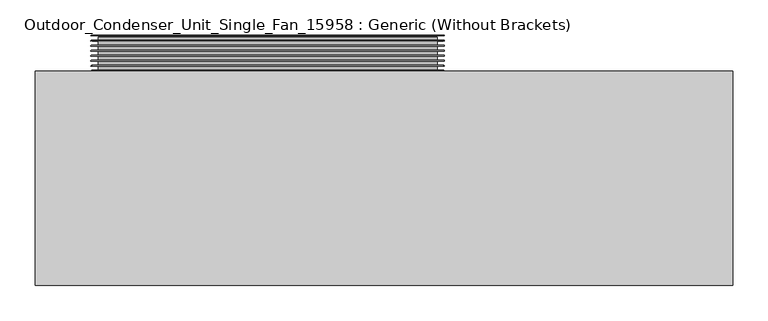
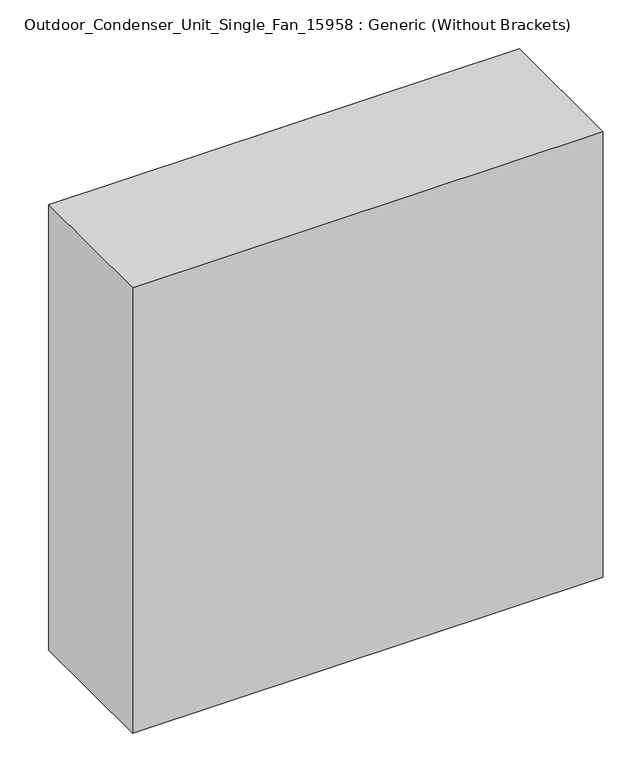
"""IFC4 building model written with IfcOpenShell, lengths in millimetres: proxy geometry, Outdoor_Condenser_Unit_Single_Fan_15958 : Generic (Without Brackets)."""

import ifcopenshell
import ifcopenshell.guid

model = None  # the IFC model being written
_history = None  # IfcOwnerHistory: only IFC2X3 demands one
_inside = {}  # id of a spatial element -> (the spatial element, [elements in it])
_under = {}  # id of a project, library or spatial element -> (it, [spatial elements below it])
_declared = {}  # id of a project -> (the project, [libraries it declares])
_typed = {}  # id of a type object -> (the type object, [elements of that type])
_made_of = {}  # id of a material, layer set ... -> (it, [elements and type objects made of it])


def new_model(schema):
    """Start an empty IFC model of exactly this schema.

    Asked for "IFC4X3", IfcOpenShell would pick the latest addendum, in which some entities
    have other attributes; the version numbers below select the first issue.
    IFC2X3 requires an IfcOwnerHistory on every rooted entity: one is made here for all.
    """
    global model, _history
    if schema == "IFC4X3":
        model = ifcopenshell.file(schema_version=(4, 3, 0, 0))
    else:
        model = ifcopenshell.file(schema=schema)
    _inside.clear()
    _under.clear()
    _declared.clear()
    _typed.clear()
    _made_of.clear()
    _history = None
    if model.schema == "IFC2X3":
        org = make("IfcOrganization", Name="unknown")
        user = make(
            "IfcPersonAndOrganization",
            ThePerson=make("IfcPerson", FamilyName="unknown"),
            TheOrganization=org,
        )
        app = make(
            "IfcApplication",
            ApplicationDeveloper=org,
            Version="unknown",
            ApplicationFullName="unknown",
            ApplicationIdentifier="unknown",
        )
        _history = make(
            "IfcOwnerHistory",
            OwningUser=user,
            OwningApplication=app,
            ChangeAction="ADDED",
            CreationDate=0,
        )
    return model


def make(cls, **values):
    """One entity of the class cls with the attributes given. An attribute that is None is left unset."""
    return model.create_entity(
        cls, **{name: value for name, value in values.items() if value is not None}
    )


def rooted(cls, **values):
    """An entity with a GlobalId (a new one), such as an element, a storey or a relation."""
    return make(cls, GlobalId=ifcopenshell.guid.new(), OwnerHistory=_history, **values)


def si_unit(unit_type, name, prefix=None):
    """IfcSIUnit, for example si_unit("LENGTHUNIT", "METRE", prefix="MILLI")."""
    return make("IfcSIUnit", UnitType=unit_type, Prefix=prefix, Name=name)


def assignment(units):
    """IfcUnitAssignment: the units of a project."""
    return None if units is None else make("IfcUnitAssignment", Units=units)


def point(xyz):
    """IfcCartesianPoint."""
    return None if xyz is None else make("IfcCartesianPoint", Coordinates=xyz)


def direction(xyz):
    """IfcDirection."""
    return None if xyz is None else make("IfcDirection", DirectionRatios=xyz)


def frame(location, z_axis=None, x_axis=None):
    """IfcAxis2Placement3D, a coordinate frame: its origin and axes. An axis left out is left unset."""
    return make(
        "IfcAxis2Placement3D",
        Location=point(location),
        Axis=direction(z_axis),
        RefDirection=direction(x_axis),
    )


def frame_2d(location, x_axis=None):
    """IfcAxis2Placement2D, a coordinate frame in the plane: its origin and x axis."""
    return make(
        "IfcAxis2Placement2D", Location=point(location), RefDirection=direction(x_axis)
    )


def origin():
    """The frame at (0, 0, 0) with its axes left unset."""
    return frame((0.0, 0.0, 0.0))


def origin_with_axes():
    """The frame at (0, 0, 0) with the z axis (0, 0, 1) and the x axis (1, 0, 0) written out."""
    return frame((0.0, 0.0, 0.0), z_axis=(0.0, 0.0, 1.0), x_axis=(1.0, 0.0, 0.0))


def place(relative_to, where):
    """IfcLocalPlacement: puts the frame where relative to a parent placement (None: the world)."""
    return make(
        "IfcLocalPlacement", PlacementRelTo=relative_to, RelativePlacement=where
    )


def context(
    kind, dimensions, precision=None, world=None, true_north=None, identifier=None
):
    """IfcGeometricRepresentationContext, for example the 3D "Model" context."""
    return make(
        "IfcGeometricRepresentationContext",
        ContextIdentifier=identifier,
        ContextType=kind,
        CoordinateSpaceDimension=dimensions,
        Precision=precision,
        WorldCoordinateSystem=world,
        TrueNorth=true_north,
    )


def project(units=None, contexts=None):
    """IfcProject with its units and contexts."""
    return rooted(
        "IfcProject",
        Name="project",
        RepresentationContexts=contexts,
        UnitsInContext=assignment(units),
    )


def spatial(cls, under=None, at=None, **own):
    """A site, building, storey or space (cls), placed at a placement, below another one or the project."""
    s = rooted(cls, ObjectPlacement=at, **own)
    if under is not None:
        _under.setdefault(under.id(), (under, []))[1].append(s)
    return s


def polyline(points):
    """IfcPolyline through the points."""
    return make("IfcPolyline", Points=[point(p) for p in points])


def circle_curve(where, radius):
    """IfcCircle in the frame where."""
    return make("IfcCircle", Position=where, Radius=radius)


def ellipse_curve(where, semi_axis1, semi_axis2):
    """IfcEllipse in the frame where."""
    return make(
        "IfcEllipse", Position=where, SemiAxis1=semi_axis1, SemiAxis2=semi_axis2
    )


def trimmed(basis, trim1, trim2, sense, master):
    """IfcTrimmedCurve: the piece of a basis curve between two trims."""
    return make(
        "IfcTrimmedCurve",
        BasisCurve=basis,
        Trim1=trim1,
        Trim2=trim2,
        SenseAgreement=sense,
        MasterRepresentation=master,
    )


def segment(curve, same_sense, transition):
    """IfcCompositeCurveSegment."""
    return make(
        "IfcCompositeCurveSegment",
        Transition=transition,
        SameSense=same_sense,
        ParentCurve=curve,
    )


def composite_curve(segments, self_intersect=None):
    """IfcCompositeCurve: segments joined end to end."""
    return make("IfcCompositeCurve", Segments=segments, SelfIntersect=self_intersect)


def outline(outer, holes=None, kind="AREA"):
    """IfcArbitraryClosedProfileDef: a profile drawn as a closed curve; with holes, ...WithVoids."""
    if holes is None:
        return make("IfcArbitraryClosedProfileDef", ProfileType=kind, OuterCurve=outer)
    return make(
        "IfcArbitraryProfileDefWithVoids",
        ProfileType=kind,
        OuterCurve=outer,
        InnerCurves=holes,
    )


def extrude(swept, where, along, depth):
    """IfcExtrudedAreaSolid: the profile swept, set in the frame where, extruded along a direction by depth."""
    return make(
        "IfcExtrudedAreaSolid",
        SweptArea=swept,
        Position=where,
        ExtrudedDirection=direction(along),
        Depth=depth,
    )


def shape(context_of_items, identifier, shape_type, items):
    """IfcShapeRepresentation: the items that make up one representation, for example the "Body"."""
    return make(
        "IfcShapeRepresentation",
        ContextOfItems=context_of_items,
        RepresentationIdentifier=identifier,
        RepresentationType=shape_type,
        Items=items,
    )


def source(mapping_origin, context_of_items, identifier, shape_type, items):
    """IfcRepresentationMap: a shape defined once, which mapped items show again and again."""
    return make(
        "IfcRepresentationMap",
        MappingOrigin=mapping_origin,
        MappedRepresentation=shape(context_of_items, identifier, shape_type, items),
    )


def transform(
    local_origin,
    x_axis=None,
    y_axis=None,
    z_axis=None,
    scale=None,
    scale2=None,
    scale3=None,
    uniform=True,
):
    """IfcCartesianTransformationOperator3D, or its non-uniform kind. x_axis, y_axis, z_axis: its Axis1, 2, 3."""
    if uniform:
        return make(
            "IfcCartesianTransformationOperator3D",
            Axis1=direction(x_axis),
            Axis2=direction(y_axis),
            LocalOrigin=point(local_origin),
            Scale=scale,
            Axis3=direction(z_axis),
        )
    return make(
        "IfcCartesianTransformationOperator3DnonUniform",
        Axis1=direction(x_axis),
        Axis2=direction(y_axis),
        LocalOrigin=point(local_origin),
        Scale=scale,
        Axis3=direction(z_axis),
        Scale2=scale2,
        Scale3=scale3,
    )


def mapped(mapping_source, mapping_target):
    """IfcMappedItem: shows the shape of a source again, moved by a transform."""
    return make(
        "IfcMappedItem", MappingSource=mapping_source, MappingTarget=mapping_target
    )


def made_of(thing, what):
    """Note that an element or type object is made of a material, layer set ...; save() writes the relation."""
    if what is not None:
        _made_of.setdefault(what.id(), (what, []))[1].append(thing)
    return thing


def element(
    cls,
    number,
    at=None,
    inside=None,
    cuts=None,
    type_object=None,
    material=None,
    context=None,
    identifier="Body",
    shape_type=None,
    held_by="IfcProductDefinitionShape",
    body=None,
    shapes=None,
    **own,
):
    """One element of the class cls, such as IfcWall. Its Tag is "e" and its number.

    at: its placement. inside: the storey or other place that contains it. cuts: it is an
    opening in that element (IfcRelVoidsElement). A single representation is given by context,
    identifier, shape_type and body (its items); several are given by shapes. held_by: the class
    of the entity that holds the representations. save() writes the other relations.
    """
    e = rooted(cls, Tag="e%d" % number, ObjectPlacement=at, **own)
    if body is not None:
        shapes = [shape(context, identifier, shape_type, body)]
    if shapes is not None:
        e.Representation = make(held_by, Representations=shapes)
    if inside is not None:
        _inside.setdefault(inside.id(), (inside, []))[1].append(e)
    if cuts is not None:
        rooted(
            "IfcRelVoidsElement", RelatingBuildingElement=cuts, RelatedOpeningElement=e
        )
    if type_object is not None:
        _typed.setdefault(type_object.id(), (type_object, []))[1].append(e)
    return made_of(e, material)


def aggregate(whole, parts):
    """IfcRelAggregates: a whole, such as a stair, and the parts it consists of."""
    return rooted("IfcRelAggregates", RelatingObject=whole, RelatedObjects=parts)


def save(model, path):
    """Write the relations noted so far, then the file.

    IfcRelAggregates (storeys below a building ...), IfcRelContainedInSpatialStructure (elements
    in a storey), IfcRelDefinesByType, IfcRelAssociatesMaterial and IfcRelDeclares: one each for
    every whole, place, type object, material and project.
    """
    for whole, parts in _under.values():
        aggregate(whole, parts)
    for where, things in _inside.values():
        rooted(
            "IfcRelContainedInSpatialStructure",
            RelatedElements=things,
            RelatingStructure=where,
        )
    for kind, things in _typed.values():
        rooted("IfcRelDefinesByType", RelatedObjects=things, RelatingType=kind)
    for what, things in _made_of.values():
        rooted("IfcRelAssociatesMaterial", RelatedObjects=things, RelatingMaterial=what)
    for by, libraries in _declared.values():
        rooted("IfcRelDeclares", RelatingContext=by, RelatedDefinitions=libraries)
    model.write(path)


def plane_surface(at):
    """IfcPlane: the flat surface through the origin of the frame at, square to its z axis."""
    return make("IfcPlane", Position=at)


def revolved_surface(curve, axis_point, axis_direction):
    """IfcSurfaceOfRevolution: the curve turned about the line through axis_point along axis_direction."""
    return make(
        "IfcSurfaceOfRevolution",
        SweptCurve=make("IfcArbitraryOpenProfileDef", ProfileType="CURVE", Curve=curve),
        AxisPosition=make("IfcAxis1Placement", Location=point(axis_point), Axis=direction(axis_direction)),
    )


def advanced_brep(points, edges, surfaces, faces):
    """IfcAdvancedBrep: a solid bounded by faces that lie on surfaces and meet in shared edges.

    An edge is (start, end): straight between two places in points (the first is 0);
    or (start, end, curve); or (start, end, curve, False) where it runs against its curve.
    A face is (place in surfaces, loops), or (place, loops, False) where it looks against
    its surface's normal. A loop lists edges by number (the first is 1), with a minus sign
    where the edge is run from its end to its start. The first loop is the outer one.
    """
    corners = [point(p) for p in points]
    vertices = [make("IfcVertexPoint", VertexGeometry=c) for c in corners]
    made = []
    for start, end, *more in edges:
        made.append(
            make(
                "IfcEdgeCurve",
                EdgeStart=vertices[start],
                EdgeEnd=vertices[end],
                EdgeGeometry=more[0] if more else make("IfcPolyline", Points=[corners[start], corners[end]]),
                SameSense=more[1] if len(more) > 1 else True,
            )
        )
    hull = []
    for where, loops, *sense in faces:
        bounds = []
        for j, loop in enumerate(loops):
            ring = [make("IfcOrientedEdge", EdgeElement=made[abs(k) - 1], Orientation=k > 0) for k in loop]
            bounds.append(
                make(
                    "IfcFaceOuterBound" if j == 0 else "IfcFaceBound",
                    Bound=make("IfcEdgeLoop", EdgeList=ring),
                    Orientation=True,
                )
            )
        hull.append(make("IfcAdvancedFace", Bounds=bounds, FaceSurface=surfaces[where], SameSense=sense[0] if sense else True))
    return make("IfcAdvancedBrep", Outer=make("IfcClosedShell", CfsFaces=hull))


def outdoor_condenser_unit_single_fan_15958_generic_without_b8396b65(model_context):
    return source(origin(), model_context, "Body", "SolidModel", [
        advanced_brep(
        [(-61.2085105, 0.0, 495.3), (-63.2085105, 0.0, 495.3), (-561.2085105, 0.0, 495.3), (-563.2085105, 0.0, 495.3)],
        [
            (0, 1, circle_curve(frame((-62.2085105, 0.0, 495.3), z_axis=(0.0, 0.0, 1.0), x_axis=(-1.0, 0.0, 0.0)), 1.0)),
            (1, 2, circle_curve(frame((-312.2085105, 0.0, 495.3), z_axis=(0.0, -1.0, 0.0), x_axis=(-1.0, 0.0, 0.0)), 249.0)),
            (2, 3, circle_curve(frame((-562.2085105, 0.0, 495.3), z_axis=(0.0, 0.0, 1.0), x_axis=(1.0, 0.0, 0.0)), 1.0)),
            (3, 0, circle_curve(frame((-312.2085105, 0.0, 495.3), z_axis=(0.0, 1.0, 0.0), x_axis=(-1.0, 0.0, 0.0)), 251.0)),
            (3, 0, circle_curve(frame((-312.2085105, 0.0, 495.3), z_axis=(0.0, -1.0, 0.0), x_axis=(1.0, 0.0, 0.0)), 251.0)),
            (1, 2, circle_curve(frame((-312.2085105, 0.0, 495.3), z_axis=(0.0, 1.0, 0.0), x_axis=(1.0, 0.0, 0.0)), 249.0)),
        ],
        [
            revolved_surface(trimmed(ellipse_curve(frame((-562.2085105, 0.0, 495.3), z_axis=(0.0, 0.0, 1.0), x_axis=(1.0, 0.0, 0.0)), 1.0, 1.0), [point((-561.2085105, 0.0, 495.3))], [point((-563.2085105, 0.0, 495.3))], True, "CARTESIAN"), (-312.2085105, -219.0, 495.3), (0.0, -1.0, 0.0)),
            plane_surface(frame((-312.2085105, 0.0, 495.3), z_axis=(0.0, -1.0, 0.0), x_axis=(1.0, 0.0, 0.0))),
            revolved_surface(trimmed(ellipse_curve(frame((-62.2085105, 0.0, 495.3), z_axis=(0.0, 0.0, -1.0), x_axis=(-1.0, 0.0, 0.0)), 1.0, 1.0), [point((-63.2085105, 0.0, 495.3))], [point((-61.2085105, 0.0, 495.3))], True, "CARTESIAN"), (-312.2085105, -219.0, 495.3), (0.0, -1.0, 0.0)),
        ],
        [
            (0, [[1, 2, 3, 4]]),
            (1, [[-4, 5], [-2, 6]]),
            (2, [[-3, -6, -1, -5]]),
        ],
    ),
        advanced_brep(
        [(-61.2085105, 7.1428571, 495.3), (-63.2085105, 7.1428571, 495.3), (-561.2085105, 7.1428571, 495.3), (-563.2085105, 7.1428571, 495.3)],
        [
            (0, 1, circle_curve(frame((-62.2085105, 7.1428571, 495.3), z_axis=(0.0, 0.0, 1.0), x_axis=(-1.0, 0.0, 0.0)), 1.0)),
            (1, 2, circle_curve(frame((-312.2085105, 7.1428571, 495.3), z_axis=(0.0, -1.0, 0.0), x_axis=(-1.0, 0.0, 0.0)), 249.0)),
            (2, 3, circle_curve(frame((-562.2085105, 7.1428571, 495.3), z_axis=(0.0, 0.0, 1.0), x_axis=(1.0, 0.0, 0.0)), 1.0)),
            (3, 0, circle_curve(frame((-312.2085105, 7.1428571, 495.3), z_axis=(0.0, 1.0, 0.0), x_axis=(-1.0, 0.0, 0.0)), 251.0)),
            (3, 0, circle_curve(frame((-312.2085105, 7.1428571, 495.3), z_axis=(0.0, -1.0, 0.0), x_axis=(1.0, 0.0, 0.0)), 251.0)),
            (1, 2, circle_curve(frame((-312.2085105, 7.1428571, 495.3), z_axis=(0.0, 1.0, 0.0), x_axis=(1.0, 0.0, 0.0)), 249.0)),
        ],
        [
            revolved_surface(trimmed(ellipse_curve(frame((-562.2085105, 7.1428571, 495.3), z_axis=(0.0, 0.0, 1.0), x_axis=(1.0, 0.0, 0.0)), 1.0, 1.0), [point((-561.2085105, 7.1428571, 495.3))], [point((-563.2085105, 7.1428571, 495.3))], True, "CARTESIAN"), (-312.2085105, -211.8571429, 495.3), (0.0, -1.0, 0.0)),
            plane_surface(frame((-312.2085105, 7.1428571, 495.3), z_axis=(0.0, -1.0, 0.0), x_axis=(1.0, 0.0, 0.0))),
            revolved_surface(trimmed(ellipse_curve(frame((-62.2085105, 7.1428571, 495.3), z_axis=(0.0, 0.0, -1.0), x_axis=(-1.0, 0.0, 0.0)), 1.0, 1.0), [point((-63.2085105, 7.1428571, 495.3))], [point((-61.2085105, 7.1428571, 495.3))], True, "CARTESIAN"), (-312.2085105, -211.8571429, 495.3), (0.0, -1.0, 0.0)),
        ],
        [
            (0, [[1, 2, 3, 4]]),
            (1, [[-4, 5], [-2, 6]]),
            (2, [[-3, -6, -1, -5]]),
        ],
    ),
        advanced_brep(
        [(-61.2085105, 14.2857143, 495.3), (-63.2085105, 14.2857143, 495.3), (-561.2085105, 14.2857143, 495.3), (-563.2085105, 14.2857143, 495.3)],
        [
            (0, 1, circle_curve(frame((-62.2085105, 14.2857143, 495.3), z_axis=(0.0, 0.0, 1.0), x_axis=(-1.0, 0.0, 0.0)), 1.0)),
            (1, 2, circle_curve(frame((-312.2085105, 14.2857143, 495.3), z_axis=(0.0, -1.0, 0.0), x_axis=(-1.0, 0.0, 0.0)), 249.0)),
            (2, 3, circle_curve(frame((-562.2085105, 14.2857143, 495.3), z_axis=(0.0, 0.0, 1.0), x_axis=(1.0, 0.0, 0.0)), 1.0)),
            (3, 0, circle_curve(frame((-312.2085105, 14.2857143, 495.3), z_axis=(0.0, 1.0, 0.0), x_axis=(-1.0, 0.0, 0.0)), 251.0)),
            (3, 0, circle_curve(frame((-312.2085105, 14.2857143, 495.3), z_axis=(0.0, -1.0, 0.0), x_axis=(1.0, 0.0, 0.0)), 251.0)),
            (1, 2, circle_curve(frame((-312.2085105, 14.2857143, 495.3), z_axis=(0.0, 1.0, 0.0), x_axis=(1.0, 0.0, 0.0)), 249.0)),
        ],
        [
            revolved_surface(trimmed(ellipse_curve(frame((-562.2085105, 14.2857143, 495.3), z_axis=(0.0, 0.0, 1.0), x_axis=(1.0, 0.0, 0.0)), 1.0, 1.0), [point((-561.2085105, 14.2857143, 495.3))], [point((-563.2085105, 14.2857143, 495.3))], True, "CARTESIAN"), (-312.2085105, -204.7142857, 495.3), (0.0, -1.0, 0.0)),
            plane_surface(frame((-312.2085105, 14.2857143, 495.3), z_axis=(0.0, -1.0, 0.0), x_axis=(1.0, 0.0, 0.0))),
            revolved_surface(trimmed(ellipse_curve(frame((-62.2085105, 14.2857143, 495.3), z_axis=(0.0, 0.0, -1.0), x_axis=(-1.0, 0.0, 0.0)), 1.0, 1.0), [point((-63.2085105, 14.2857143, 495.3))], [point((-61.2085105, 14.2857143, 495.3))], True, "CARTESIAN"), (-312.2085105, -204.7142857, 495.3), (0.0, -1.0, 0.0)),
        ],
        [
            (0, [[1, 2, 3, 4]]),
            (1, [[-4, 5], [-2, 6]]),
            (2, [[-3, -6, -1, -5]]),
        ],
    ),
        advanced_brep(
        [(-61.2085105, 21.4285714, 495.3), (-63.2085105, 21.4285714, 495.3), (-561.2085105, 21.4285714, 495.3), (-563.2085105, 21.4285714, 495.3)],
        [
            (0, 1, circle_curve(frame((-62.2085105, 21.4285714, 495.3), z_axis=(0.0, 0.0, 1.0), x_axis=(-1.0, 0.0, 0.0)), 1.0)),
            (1, 2, circle_curve(frame((-312.2085105, 21.4285714, 495.3), z_axis=(0.0, -1.0, 0.0), x_axis=(-1.0, 0.0, 0.0)), 249.0)),
            (2, 3, circle_curve(frame((-562.2085105, 21.4285714, 495.3), z_axis=(0.0, 0.0, 1.0), x_axis=(1.0, 0.0, 0.0)), 1.0)),
            (3, 0, circle_curve(frame((-312.2085105, 21.4285714, 495.3), z_axis=(0.0, 1.0, 0.0), x_axis=(-1.0, 0.0, 0.0)), 251.0)),
            (3, 0, circle_curve(frame((-312.2085105, 21.4285714, 495.3), z_axis=(0.0, -1.0, 0.0), x_axis=(1.0, 0.0, 0.0)), 251.0)),
            (1, 2, circle_curve(frame((-312.2085105, 21.4285714, 495.3), z_axis=(0.0, 1.0, 0.0), x_axis=(1.0, 0.0, 0.0)), 249.0)),
        ],
        [
            revolved_surface(trimmed(ellipse_curve(frame((-562.2085105, 21.4285714, 495.3), z_axis=(0.0, 0.0, 1.0), x_axis=(1.0, 0.0, 0.0)), 1.0, 1.0), [point((-561.2085105, 21.4285714, 495.3))], [point((-563.2085105, 21.4285714, 495.3))], True, "CARTESIAN"), (-312.2085105, -197.5714286, 495.3), (0.0, -1.0, 0.0)),
            plane_surface(frame((-312.2085105, 21.4285714, 495.3), z_axis=(0.0, -1.0, 0.0), x_axis=(1.0, 0.0, 0.0))),
            revolved_surface(trimmed(ellipse_curve(frame((-62.2085105, 21.4285714, 495.3), z_axis=(0.0, 0.0, -1.0), x_axis=(-1.0, 0.0, 0.0)), 1.0, 1.0), [point((-63.2085105, 21.4285714, 495.3))], [point((-61.2085105, 21.4285714, 495.3))], True, "CARTESIAN"), (-312.2085105, -197.5714286, 495.3), (0.0, -1.0, 0.0)),
        ],
        [
            (0, [[1, 2, 3, 4]]),
            (1, [[-4, 5], [-2, 6]]),
            (2, [[-3, -6, -1, -5]]),
        ],
    ),
        advanced_brep(
        [(-61.2085105, 28.5714286, 495.3), (-63.2085105, 28.5714286, 495.3), (-561.2085105, 28.5714286, 495.3), (-563.2085105, 28.5714286, 495.3)],
        [
            (0, 1, circle_curve(frame((-62.2085105, 28.5714286, 495.3), z_axis=(0.0, 0.0, 1.0), x_axis=(-1.0, 0.0, 0.0)), 1.0)),
            (1, 2, circle_curve(frame((-312.2085105, 28.5714286, 495.3), z_axis=(0.0, -1.0, 0.0), x_axis=(-1.0, 0.0, 0.0)), 249.0)),
            (2, 3, circle_curve(frame((-562.2085105, 28.5714286, 495.3), z_axis=(0.0, 0.0, 1.0), x_axis=(1.0, 0.0, 0.0)), 1.0)),
            (3, 0, circle_curve(frame((-312.2085105, 28.5714286, 495.3), z_axis=(0.0, 1.0, 0.0), x_axis=(-1.0, 0.0, 0.0)), 251.0)),
            (3, 0, circle_curve(frame((-312.2085105, 28.5714286, 495.3), z_axis=(0.0, -1.0, 0.0), x_axis=(1.0, 0.0, 0.0)), 251.0)),
            (1, 2, circle_curve(frame((-312.2085105, 28.5714286, 495.3), z_axis=(0.0, 1.0, 0.0), x_axis=(1.0, 0.0, 0.0)), 249.0)),
        ],
        [
            revolved_surface(trimmed(ellipse_curve(frame((-562.2085105, 28.5714286, 495.3), z_axis=(0.0, 0.0, 1.0), x_axis=(1.0, 0.0, 0.0)), 1.0, 1.0), [point((-561.2085105, 28.5714286, 495.3))], [point((-563.2085105, 28.5714286, 495.3))], True, "CARTESIAN"), (-312.2085105, -190.4285714, 495.3), (0.0, -1.0, 0.0)),
            plane_surface(frame((-312.2085105, 28.5714286, 495.3), z_axis=(0.0, -1.0, 0.0), x_axis=(1.0, 0.0, 0.0))),
            revolved_surface(trimmed(ellipse_curve(frame((-62.2085105, 28.5714286, 495.3), z_axis=(0.0, 0.0, -1.0), x_axis=(-1.0, 0.0, 0.0)), 1.0, 1.0), [point((-63.2085105, 28.5714286, 495.3))], [point((-61.2085105, 28.5714286, 495.3))], True, "CARTESIAN"), (-312.2085105, -190.4285714, 495.3), (0.0, -1.0, 0.0)),
        ],
        [
            (0, [[1, 2, 3, 4]]),
            (1, [[-4, 5], [-2, 6]]),
            (2, [[-3, -6, -1, -5]]),
        ],
    ),
        advanced_brep(
        [(-61.2085105, 35.7142857, 495.3), (-63.2085105, 35.7142857, 495.3), (-561.2085105, 35.7142857, 495.3), (-563.2085105, 35.7142857, 495.3)],
        [
            (0, 1, circle_curve(frame((-62.2085105, 35.7142857, 495.3), z_axis=(0.0, 0.0, 1.0), x_axis=(-1.0, 0.0, 0.0)), 1.0)),
            (1, 2, circle_curve(frame((-312.2085105, 35.7142857, 495.3), z_axis=(0.0, -1.0, 0.0), x_axis=(-1.0, 0.0, 0.0)), 249.0)),
            (2, 3, circle_curve(frame((-562.2085105, 35.7142857, 495.3), z_axis=(0.0, 0.0, 1.0), x_axis=(1.0, 0.0, 0.0)), 1.0)),
            (3, 0, circle_curve(frame((-312.2085105, 35.7142857, 495.3), z_axis=(0.0, 1.0, 0.0), x_axis=(-1.0, 0.0, 0.0)), 251.0)),
            (3, 0, circle_curve(frame((-312.2085105, 35.7142857, 495.3), z_axis=(0.0, -1.0, 0.0), x_axis=(1.0, 0.0, 0.0)), 251.0)),
            (1, 2, circle_curve(frame((-312.2085105, 35.7142857, 495.3), z_axis=(0.0, 1.0, 0.0), x_axis=(1.0, 0.0, 0.0)), 249.0)),
        ],
        [
            revolved_surface(trimmed(ellipse_curve(frame((-562.2085105, 35.7142857, 495.3), z_axis=(0.0, 0.0, 1.0), x_axis=(1.0, 0.0, 0.0)), 1.0, 1.0), [point((-561.2085105, 35.7142857, 495.3))], [point((-563.2085105, 35.7142857, 495.3))], True, "CARTESIAN"), (-312.2085105, -183.2857143, 495.3), (0.0, -1.0, 0.0)),
            plane_surface(frame((-312.2085105, 35.7142857, 495.3), z_axis=(0.0, -1.0, 0.0), x_axis=(1.0, 0.0, 0.0))),
            revolved_surface(trimmed(ellipse_curve(frame((-62.2085105, 35.7142857, 495.3), z_axis=(0.0, 0.0, -1.0), x_axis=(-1.0, 0.0, 0.0)), 1.0, 1.0), [point((-63.2085105, 35.7142857, 495.3))], [point((-61.2085105, 35.7142857, 495.3))], True, "CARTESIAN"), (-312.2085105, -183.2857143, 495.3), (0.0, -1.0, 0.0)),
        ],
        [
            (0, [[1, 2, 3, 4]]),
            (1, [[-4, 5], [-2, 6]]),
            (2, [[-3, -6, -1, -5]]),
        ],
    ),
        advanced_brep(
        [(-61.2085105, 42.8571429, 495.3), (-63.2085105, 42.8571429, 495.3), (-561.2085105, 42.8571429, 495.3), (-563.2085105, 42.8571429, 495.3)],
        [
            (0, 1, circle_curve(frame((-62.2085105, 42.8571429, 495.3), z_axis=(0.0, 0.0, 1.0), x_axis=(-1.0, 0.0, 0.0)), 1.0)),
            (1, 2, circle_curve(frame((-312.2085105, 42.8571429, 495.3), z_axis=(0.0, -1.0, 0.0), x_axis=(-1.0, 0.0, 0.0)), 249.0)),
            (2, 3, circle_curve(frame((-562.2085105, 42.8571429, 495.3), z_axis=(0.0, 0.0, 1.0), x_axis=(1.0, 0.0, 0.0)), 1.0)),
            (3, 0, circle_curve(frame((-312.2085105, 42.8571429, 495.3), z_axis=(0.0, 1.0, 0.0), x_axis=(-1.0, 0.0, 0.0)), 251.0)),
            (3, 0, circle_curve(frame((-312.2085105, 42.8571429, 495.3), z_axis=(0.0, -1.0, 0.0), x_axis=(1.0, 0.0, 0.0)), 251.0)),
            (1, 2, circle_curve(frame((-312.2085105, 42.8571429, 495.3), z_axis=(0.0, 1.0, 0.0), x_axis=(1.0, 0.0, 0.0)), 249.0)),
        ],
        [
            revolved_surface(trimmed(ellipse_curve(frame((-562.2085105, 42.8571429, 495.3), z_axis=(0.0, 0.0, 1.0), x_axis=(1.0, 0.0, 0.0)), 1.0, 1.0), [point((-561.2085105, 42.8571429, 495.3))], [point((-563.2085105, 42.8571429, 495.3))], True, "CARTESIAN"), (-312.2085105, -176.1428571, 495.3), (0.0, -1.0, 0.0)),
            plane_surface(frame((-312.2085105, 42.8571429, 495.3), z_axis=(0.0, -1.0, 0.0), x_axis=(1.0, 0.0, 0.0))),
            revolved_surface(trimmed(ellipse_curve(frame((-62.2085105, 42.8571429, 495.3), z_axis=(0.0, 0.0, -1.0), x_axis=(-1.0, 0.0, 0.0)), 1.0, 1.0), [point((-63.2085105, 42.8571429, 495.3))], [point((-61.2085105, 42.8571429, 495.3))], True, "CARTESIAN"), (-312.2085105, -176.1428571, 495.3), (0.0, -1.0, 0.0)),
        ],
        [
            (0, [[1, 2, 3, 4]]),
            (1, [[-4, 5], [-2, 6]]),
            (2, [[-3, -6, -1, -5]]),
        ],
    ),
        extrude(outline(polyline([(0.0, 210.0), (2.0, 210.0), (2.0, 0.0), (0.0, 0.0), (0.0, 210.0)])), frame((-291.7024138, 50.0, 473.3796898), z_axis=(0.7071067811865501, 0.0, 0.7071067811865449), x_axis=(0.0, -1.0, 0.0)), (0.0, 0.0, 1.0), 2.0),
        extrude(outline(polyline([(-72.2085105, 50.0), (-72.2085105, 48.0), (-282.2085105, 48.0), (-282.2085105, 50.0), (-72.2085105, 50.0)])), frame((0.0, 0.0, 494.3), z_axis=(0.0, 0.0, 1.0), x_axis=(1.0, 0.0, 0.0)), (0.0, 0.0, 1.0), 2.0),
        extrude(outline(composite_curve([segment(trimmed(circle_curve(frame_2d((495.3, -312.2085105)), 241.0), [point((495.3, -553.2085105))], [point((495.3, -71.2085105))], False, "CARTESIAN"), True, "CONTINUOUS"), segment(trimmed(circle_curve(frame_2d((495.3, -312.2085105)), 241.0), [point((495.3, -71.2085105))], [point((495.3, -553.2085105))], False, "CARTESIAN"), True, "CONTINUOUS")], self_intersect=False), holes=[composite_curve([segment(trimmed(circle_curve(frame_2d((495.3, -312.2085105)), 239.0), [point((495.3, -551.2085105))], [point((495.3, -73.2085105))], True, "CARTESIAN"), True, "CONTINUOUS"), segment(trimmed(circle_curve(frame_2d((495.3, -312.2085105)), 239.0), [point((495.3, -73.2085105))], [point((495.3, -551.2085105))], True, "CARTESIAN"), True, "CONTINUOUS")], self_intersect=False)]), frame((0.0, 0.0, 0.0), z_axis=(0.0, 1.0, 0.0), x_axis=(0.0, 0.0, 1.0)), (0.0, 0.0, 1.0), 48.0),
        extrude(outline(polyline([(0.0, 1.9999999), (2.0, 1.9999999), (2.0, 0.0), (0.0, 0.0), (0.0, 1.9999999)])), frame((-291.7024138, 50.0, 517.2203102), z_axis=(0.7071067811865539, 0.0, 0.7071067811865411), x_axis=(0.0, -1.0, 0.0)), (0.0, 0.0, 1.0), 210.0),
        extrude(outline(polyline([(-311.2085105, 50.0), (-311.2085105, 48.0), (-313.2085105, 48.0), (-313.2085105, 50.0), (-311.2085105, 50.0)])), frame((0.0, 0.0, 255.3), z_axis=(0.0, 0.0, 1.0), x_axis=(1.0, 0.0, 0.0)), (0.0, 0.0, 1.0), 210.0),
        extrude(outline(polyline([(0.0, 2.0000001), (2.0, 2.0000001), (2.0, 0.0), (0.0, 0.0), (0.0, 2.0000001)])), frame((-482.6212448, 50.0, 326.3014793), z_axis=(0.707106781186556, 0.0, 0.7071067811865391), x_axis=(0.0, -1.0, 0.0)), (0.0, 0.0, 1.0), 210.0),
        extrude(outline(polyline([(-342.2085105, 50.0), (-342.2085105, 48.0), (-552.2085105, 48.0), (-552.2085105, 50.0), (-342.2085105, 50.0)])), frame((0.0, 0.0, 494.3), z_axis=(0.0, 0.0, 1.0), x_axis=(1.0, 0.0, 0.0)), (0.0, 0.0, 1.0), 2.0),
        extrude(outline(polyline([(-311.2085105, 50.0), (-311.2085105, 48.0), (-313.2085105, 48.0), (-313.2085105, 50.0), (-311.2085105, 50.0)])), frame((0.0, 0.0, 525.3), z_axis=(0.0, 0.0, 1.0), x_axis=(1.0, 0.0, 0.0)), (0.0, 0.0, 1.0), 210.0),
        extrude(outline(polyline([(0.0, 210.0), (2.0, 210.0), (2.0, 0.0), (0.0, 0.0), (0.0, 210.0)])), frame((-482.6212448, 50.0, 664.2985207), z_axis=(0.7071067811865459, 0.0, 0.7071067811865492), x_axis=(0.0, -1.0, 0.0)), (0.0, 0.0, 1.0), 2.0),
        advanced_brep(
        [(-61.2085105, 50.0, 495.3), (-63.2085105, 50.0, 495.3), (-561.2085105, 50.0, 495.3), (-563.2085105, 50.0, 495.3)],
        [
            (0, 1, circle_curve(frame((-62.2085105, 50.0, 495.3), z_axis=(0.0, 0.0, 1.0), x_axis=(-1.0, 0.0, 0.0)), 1.0)),
            (1, 2, circle_curve(frame((-312.2085105, 50.0, 495.3), z_axis=(0.0, -1.0, 0.0), x_axis=(-1.0, 0.0, 0.0)), 249.0)),
            (2, 3, circle_curve(frame((-562.2085105, 50.0, 495.3), z_axis=(0.0, 0.0, 1.0), x_axis=(1.0, 0.0, 0.0)), 1.0)),
            (3, 0, circle_curve(frame((-312.2085105, 50.0, 495.3), z_axis=(0.0, 1.0, 0.0), x_axis=(-1.0, 0.0, 0.0)), 251.0)),
            (3, 0, circle_curve(frame((-312.2085105, 50.0, 495.3), z_axis=(0.0, -1.0, 0.0), x_axis=(1.0, 0.0, 0.0)), 251.0)),
            (1, 2, circle_curve(frame((-312.2085105, 50.0, 495.3), z_axis=(0.0, 1.0, 0.0), x_axis=(1.0, 0.0, 0.0)), 249.0)),
        ],
        [
            revolved_surface(trimmed(ellipse_curve(frame((-562.2085105, 50.0, 495.3), z_axis=(0.0, 0.0, 1.0), x_axis=(1.0, 0.0, 0.0)), 1.0, 1.0), [point((-561.2085105, 50.0, 495.3))], [point((-563.2085105, 50.0, 495.3))], True, "CARTESIAN"), (-312.2085105, -169.0, 495.3), (0.0, -1.0, 0.0)),
            plane_surface(frame((-312.2085105, 50.0, 495.3), z_axis=(0.0, -1.0, 0.0), x_axis=(1.0, 0.0, 0.0))),
            revolved_surface(trimmed(ellipse_curve(frame((-62.2085105, 50.0, 495.3), z_axis=(0.0, 0.0, -1.0), x_axis=(-1.0, 0.0, 0.0)), 1.0, 1.0), [point((-63.2085105, 50.0, 495.3))], [point((-61.2085105, 50.0, 495.3))], True, "CARTESIAN"), (-312.2085105, -169.0, 495.3), (0.0, -1.0, 0.0)),
        ],
        [
            (0, [[1, 2, 3, 4]]),
            (1, [[-4, 5], [-2, 6]]),
            (2, [[-3, -6, -1, -5]]),
        ],
    ),
        advanced_brep(
        [(-71.2085105, 50.0, 495.3), (-73.2085105, 50.0, 495.3), (-551.2085105, 50.0, 495.3), (-553.2085105, 50.0, 495.3)],
        [
            (0, 1, circle_curve(frame((-72.2085105, 50.0, 495.3), z_axis=(0.0, 0.0, 1.0), x_axis=(-1.0, 0.0, 0.0)), 1.0)),
            (1, 2, circle_curve(frame((-312.2085105, 50.0, 495.3), z_axis=(0.0, -1.0, 0.0), x_axis=(-1.0, 0.0, 0.0)), 239.0)),
            (2, 3, circle_curve(frame((-552.2085105, 50.0, 495.3), z_axis=(0.0, 0.0, 1.0), x_axis=(1.0, 0.0, 0.0)), 1.0)),
            (3, 0, circle_curve(frame((-312.2085105, 50.0, 495.3), z_axis=(0.0, 1.0, 0.0), x_axis=(-1.0, 0.0, 0.0)), 241.0)),
            (3, 0, circle_curve(frame((-312.2085105, 50.0, 495.3), z_axis=(0.0, -1.0, 0.0), x_axis=(1.0, 0.0, 0.0)), 241.0)),
            (1, 2, circle_curve(frame((-312.2085105, 50.0, 495.3), z_axis=(0.0, 1.0, 0.0), x_axis=(1.0, 0.0, 0.0)), 239.0)),
        ],
        [
            revolved_surface(trimmed(ellipse_curve(frame((-552.2085105, 50.0, 495.3), z_axis=(0.0, 0.0, 1.0), x_axis=(1.0, 0.0, 0.0)), 1.0, 1.0), [point((-551.2085105, 50.0, 495.3))], [point((-553.2085105, 50.0, 495.3))], True, "CARTESIAN"), (-312.2085105, -169.0, 495.3), (0.0, -1.0, 0.0)),
            plane_surface(frame((-312.2085105, 50.0, 495.3), z_axis=(0.0, -1.0, 0.0), x_axis=(1.0, 0.0, 0.0))),
            revolved_surface(trimmed(ellipse_curve(frame((-72.2085105, 50.0, 495.3), z_axis=(0.0, 0.0, -1.0), x_axis=(-1.0, 0.0, 0.0)), 1.0, 1.0), [point((-73.2085105, 50.0, 495.3))], [point((-71.2085105, 50.0, 495.3))], True, "CARTESIAN"), (-312.2085105, -169.0, 495.3), (0.0, -1.0, 0.0)),
        ],
        [
            (0, [[1, 2, 3, 4]]),
            (1, [[-4, 5], [-2, 6]]),
            (2, [[-3, -6, -1, -5]]),
        ],
    ),
        advanced_brep(
        [(-101.2085105, 50.0, 495.3), (-103.2085105, 50.0, 495.3), (-521.2085105, 50.0, 495.3), (-523.2085105, 50.0, 495.3)],
        [
            (0, 1, circle_curve(frame((-102.2085105, 50.0, 495.3), z_axis=(0.0, 0.0, 1.0), x_axis=(-1.0, 0.0, 0.0)), 1.0)),
            (1, 2, circle_curve(frame((-312.2085105, 50.0, 495.3), z_axis=(0.0, -1.0, 0.0), x_axis=(-1.0, 0.0, 0.0)), 209.0)),
            (2, 3, circle_curve(frame((-522.2085105, 50.0, 495.3), z_axis=(0.0, 0.0, 1.0), x_axis=(1.0, 0.0, 0.0)), 1.0)),
            (3, 0, circle_curve(frame((-312.2085105, 50.0, 495.3), z_axis=(0.0, 1.0, 0.0), x_axis=(-1.0, 0.0, 0.0)), 211.0)),
            (3, 0, circle_curve(frame((-312.2085105, 50.0, 495.3), z_axis=(0.0, -1.0, 0.0), x_axis=(1.0, 0.0, 0.0)), 211.0)),
            (1, 2, circle_curve(frame((-312.2085105, 50.0, 495.3), z_axis=(0.0, 1.0, 0.0), x_axis=(1.0, 0.0, 0.0)), 209.0)),
        ],
        [
            revolved_surface(trimmed(ellipse_curve(frame((-522.2085105, 50.0, 495.3), z_axis=(0.0, 0.0, 1.0), x_axis=(1.0, 0.0, 0.0)), 1.0, 1.0), [point((-521.2085105, 50.0, 495.3))], [point((-523.2085105, 50.0, 495.3))], True, "CARTESIAN"), (-312.2085105, -169.0, 495.3), (0.0, -1.0, 0.0)),
            plane_surface(frame((-312.2085105, 50.0, 495.3), z_axis=(0.0, -1.0, 0.0), x_axis=(1.0, 0.0, 0.0))),
            revolved_surface(trimmed(ellipse_curve(frame((-102.2085105, 50.0, 495.3), z_axis=(0.0, 0.0, -1.0), x_axis=(-1.0, 0.0, 0.0)), 1.0, 1.0), [point((-103.2085105, 50.0, 495.3))], [point((-101.2085105, 50.0, 495.3))], True, "CARTESIAN"), (-312.2085105, -169.0, 495.3), (0.0, -1.0, 0.0)),
        ],
        [
            (0, [[1, 2, 3, 4]]),
            (1, [[-4, 5], [-2, 6]]),
            (2, [[-3, -6, -1, -5]]),
        ],
    ),
        advanced_brep(
        [(-131.2085105, 50.0, 495.3), (-133.2085105, 50.0, 495.3), (-491.2085105, 50.0, 495.3), (-493.2085105, 50.0, 495.3)],
        [
            (0, 1, circle_curve(frame((-132.2085105, 50.0, 495.3), z_axis=(0.0, 0.0, 1.0), x_axis=(-1.0, 0.0, 0.0)), 1.0)),
            (1, 2, circle_curve(frame((-312.2085105, 50.0, 495.3), z_axis=(0.0, -1.0, 0.0), x_axis=(-1.0, 0.0, 0.0)), 179.0)),
            (2, 3, circle_curve(frame((-492.2085105, 50.0, 495.3), z_axis=(0.0, 0.0, 1.0), x_axis=(1.0, 0.0, 0.0)), 1.0)),
            (3, 0, circle_curve(frame((-312.2085105, 50.0, 495.3), z_axis=(0.0, 1.0, 0.0), x_axis=(-1.0, 0.0, 0.0)), 181.0)),
            (3, 0, circle_curve(frame((-312.2085105, 50.0, 495.3), z_axis=(0.0, -1.0, 0.0), x_axis=(1.0, 0.0, 0.0)), 181.0)),
            (1, 2, circle_curve(frame((-312.2085105, 50.0, 495.3), z_axis=(0.0, 1.0, 0.0), x_axis=(1.0, 0.0, 0.0)), 179.0)),
        ],
        [
            revolved_surface(trimmed(ellipse_curve(frame((-492.2085105, 50.0, 495.3), z_axis=(0.0, 0.0, 1.0), x_axis=(1.0, 0.0, 0.0)), 1.0, 1.0), [point((-491.2085105, 50.0, 495.3))], [point((-493.2085105, 50.0, 495.3))], True, "CARTESIAN"), (-312.2085105, -169.0, 495.3), (0.0, -1.0, 0.0)),
            plane_surface(frame((-312.2085105, 50.0, 495.3), z_axis=(0.0, -1.0, 0.0), x_axis=(1.0, 0.0, 0.0))),
            revolved_surface(trimmed(ellipse_curve(frame((-132.2085105, 50.0, 495.3), z_axis=(0.0, 0.0, -1.0), x_axis=(-1.0, 0.0, 0.0)), 1.0, 1.0), [point((-133.2085105, 50.0, 495.3))], [point((-131.2085105, 50.0, 495.3))], True, "CARTESIAN"), (-312.2085105, -169.0, 495.3), (0.0, -1.0, 0.0)),
        ],
        [
            (0, [[1, 2, 3, 4]]),
            (1, [[-4, 5], [-2, 6]]),
            (2, [[-3, -6, -1, -5]]),
        ],
    ),
        advanced_brep(
        [(-161.2085105, 50.0, 495.3), (-163.2085105, 50.0, 495.3), (-461.2085105, 50.0, 495.3), (-463.2085105, 50.0, 495.3)],
        [
            (0, 1, circle_curve(frame((-162.2085105, 50.0, 495.3), z_axis=(0.0, 0.0, 1.0), x_axis=(-1.0, 0.0, 0.0)), 1.0)),
            (1, 2, circle_curve(frame((-312.2085105, 50.0, 495.3), z_axis=(0.0, -1.0, 0.0), x_axis=(-1.0, 0.0, 0.0)), 149.0)),
            (2, 3, circle_curve(frame((-462.2085105, 50.0, 495.3), z_axis=(0.0, 0.0, 1.0), x_axis=(1.0, 0.0, 0.0)), 1.0)),
            (3, 0, circle_curve(frame((-312.2085105, 50.0, 495.3), z_axis=(0.0, 1.0, 0.0), x_axis=(-1.0, 0.0, 0.0)), 151.0)),
            (3, 0, circle_curve(frame((-312.2085105, 50.0, 495.3), z_axis=(0.0, -1.0, 0.0), x_axis=(1.0, 0.0, 0.0)), 151.0)),
            (1, 2, circle_curve(frame((-312.2085105, 50.0, 495.3), z_axis=(0.0, 1.0, 0.0), x_axis=(1.0, 0.0, 0.0)), 149.0)),
        ],
        [
            revolved_surface(trimmed(ellipse_curve(frame((-462.2085105, 50.0, 495.3), z_axis=(0.0, 0.0, 1.0), x_axis=(1.0, 0.0, 0.0)), 1.0, 1.0), [point((-461.2085105, 50.0, 495.3))], [point((-463.2085105, 50.0, 495.3))], True, "CARTESIAN"), (-312.2085105, -169.0, 495.3), (0.0, -1.0, 0.0)),
            plane_surface(frame((-312.2085105, 50.0, 495.3), z_axis=(0.0, -1.0, 0.0), x_axis=(1.0, 0.0, 0.0))),
            revolved_surface(trimmed(ellipse_curve(frame((-162.2085105, 50.0, 495.3), z_axis=(0.0, 0.0, -1.0), x_axis=(-1.0, 0.0, 0.0)), 1.0, 1.0), [point((-163.2085105, 50.0, 495.3))], [point((-161.2085105, 50.0, 495.3))], True, "CARTESIAN"), (-312.2085105, -169.0, 495.3), (0.0, -1.0, 0.0)),
        ],
        [
            (0, [[1, 2, 3, 4]]),
            (1, [[-4, 5], [-2, 6]]),
            (2, [[-3, -6, -1, -5]]),
        ],
    ),
        advanced_brep(
        [(-191.2085105, 50.0, 495.3), (-193.2085105, 50.0, 495.3), (-431.2085105, 50.0, 495.3), (-433.2085105, 50.0, 495.3)],
        [
            (0, 1, circle_curve(frame((-192.2085105, 50.0, 495.3), z_axis=(0.0, 0.0, 1.0), x_axis=(-1.0, 0.0, 0.0)), 1.0)),
            (1, 2, circle_curve(frame((-312.2085105, 50.0, 495.3), z_axis=(0.0, -1.0, 0.0), x_axis=(-1.0, 0.0, 0.0)), 119.0)),
            (2, 3, circle_curve(frame((-432.2085105, 50.0, 495.3), z_axis=(0.0, 0.0, 1.0), x_axis=(1.0, 0.0, 0.0)), 1.0)),
            (3, 0, circle_curve(frame((-312.2085105, 50.0, 495.3), z_axis=(0.0, 1.0, 0.0), x_axis=(-1.0, 0.0, 0.0)), 121.0)),
            (3, 0, circle_curve(frame((-312.2085105, 50.0, 495.3), z_axis=(0.0, -1.0, 0.0), x_axis=(1.0, 0.0, 0.0)), 121.0)),
            (1, 2, circle_curve(frame((-312.2085105, 50.0, 495.3), z_axis=(0.0, 1.0, 0.0), x_axis=(1.0, 0.0, 0.0)), 119.0)),
        ],
        [
            revolved_surface(trimmed(ellipse_curve(frame((-432.2085105, 50.0, 495.3), z_axis=(0.0, 0.0, 1.0), x_axis=(1.0, 0.0, 0.0)), 1.0, 1.0), [point((-431.2085105, 50.0, 495.3))], [point((-433.2085105, 50.0, 495.3))], True, "CARTESIAN"), (-312.2085105, -169.0, 495.3), (0.0, -1.0, 0.0)),
            plane_surface(frame((-312.2085105, 50.0, 495.3), z_axis=(0.0, -1.0, 0.0), x_axis=(1.0, 0.0, 0.0))),
            revolved_surface(trimmed(ellipse_curve(frame((-192.2085105, 50.0, 495.3), z_axis=(0.0, 0.0, -1.0), x_axis=(-1.0, 0.0, 0.0)), 1.0, 1.0), [point((-193.2085105, 50.0, 495.3))], [point((-191.2085105, 50.0, 495.3))], True, "CARTESIAN"), (-312.2085105, -169.0, 495.3), (0.0, -1.0, 0.0)),
        ],
        [
            (0, [[1, 2, 3, 4]]),
            (1, [[-4, 5], [-2, 6]]),
            (2, [[-3, -6, -1, -5]]),
        ],
    ),
        advanced_brep(
        [(-221.2085105, 50.0, 495.3), (-223.2085105, 50.0, 495.3), (-401.2085105, 50.0, 495.3), (-403.2085105, 50.0, 495.3)],
        [
            (0, 1, circle_curve(frame((-222.2085105, 50.0, 495.3), z_axis=(0.0, 0.0, 1.0), x_axis=(-1.0, 0.0, 0.0)), 1.0)),
            (1, 2, circle_curve(frame((-312.2085105, 50.0, 495.3), z_axis=(0.0, -1.0, 0.0), x_axis=(-1.0, 0.0, 0.0)), 89.0)),
            (2, 3, circle_curve(frame((-402.2085105, 50.0, 495.3), z_axis=(0.0, 0.0, 1.0), x_axis=(1.0, 0.0, 0.0)), 1.0)),
            (3, 0, circle_curve(frame((-312.2085105, 50.0, 495.3), z_axis=(0.0, 1.0, 0.0), x_axis=(-1.0, 0.0, 0.0)), 91.0)),
            (3, 0, circle_curve(frame((-312.2085105, 50.0, 495.3), z_axis=(0.0, -1.0, 0.0), x_axis=(1.0, 0.0, 0.0)), 91.0)),
            (1, 2, circle_curve(frame((-312.2085105, 50.0, 495.3), z_axis=(0.0, 1.0, 0.0), x_axis=(1.0, 0.0, 0.0)), 89.0)),
        ],
        [
            revolved_surface(trimmed(ellipse_curve(frame((-402.2085105, 50.0, 495.3), z_axis=(0.0, 0.0, 1.0), x_axis=(1.0, 0.0, 0.0)), 1.0, 1.0), [point((-401.2085105, 50.0, 495.3))], [point((-403.2085105, 50.0, 495.3))], True, "CARTESIAN"), (-312.2085105, -169.0, 495.3), (0.0, -1.0, 0.0)),
            plane_surface(frame((-312.2085105, 50.0, 495.3), z_axis=(0.0, -1.0, 0.0), x_axis=(1.0, 0.0, 0.0))),
            revolved_surface(trimmed(ellipse_curve(frame((-222.2085105, 50.0, 495.3), z_axis=(0.0, 0.0, -1.0), x_axis=(-1.0, 0.0, 0.0)), 1.0, 1.0), [point((-223.2085105, 50.0, 495.3))], [point((-221.2085105, 50.0, 495.3))], True, "CARTESIAN"), (-312.2085105, -169.0, 495.3), (0.0, -1.0, 0.0)),
        ],
        [
            (0, [[1, 2, 3, 4]]),
            (1, [[-4, 5], [-2, 6]]),
            (2, [[-3, -6, -1, -5]]),
        ],
    ),
        advanced_brep(
        [(-251.2085105, 50.0, 495.3), (-253.2085105, 50.0, 495.3), (-371.2085105, 50.0, 495.3), (-373.2085105, 50.0, 495.3)],
        [
            (0, 1, circle_curve(frame((-252.2085105, 50.0, 495.3), z_axis=(0.0, 0.0, 1.0), x_axis=(-1.0, 0.0, 0.0)), 1.0)),
            (1, 2, circle_curve(frame((-312.2085105, 50.0, 495.3), z_axis=(0.0, -1.0, 0.0), x_axis=(-1.0, 0.0, 0.0)), 59.0)),
            (2, 3, circle_curve(frame((-372.2085105, 50.0, 495.3), z_axis=(0.0, 0.0, 1.0), x_axis=(1.0, 0.0, 0.0)), 1.0)),
            (3, 0, circle_curve(frame((-312.2085105, 50.0, 495.3), z_axis=(0.0, 1.0, 0.0), x_axis=(-1.0, 0.0, 0.0)), 61.0)),
            (3, 0, circle_curve(frame((-312.2085105, 50.0, 495.3), z_axis=(0.0, -1.0, 0.0), x_axis=(1.0, 0.0, 0.0)), 61.0)),
            (1, 2, circle_curve(frame((-312.2085105, 50.0, 495.3), z_axis=(0.0, 1.0, 0.0), x_axis=(1.0, 0.0, 0.0)), 59.0)),
        ],
        [
            revolved_surface(trimmed(ellipse_curve(frame((-372.2085105, 50.0, 495.3), z_axis=(0.0, 0.0, 1.0), x_axis=(1.0, 0.0, 0.0)), 1.0, 1.0), [point((-371.2085105, 50.0, 495.3))], [point((-373.2085105, 50.0, 495.3))], True, "CARTESIAN"), (-312.2085105, -169.0, 495.3), (0.0, -1.0, 0.0)),
            plane_surface(frame((-312.2085105, 50.0, 495.3), z_axis=(0.0, -1.0, 0.0), x_axis=(1.0, 0.0, 0.0))),
            revolved_surface(trimmed(ellipse_curve(frame((-252.2085105, 50.0, 495.3), z_axis=(0.0, 0.0, -1.0), x_axis=(-1.0, 0.0, 0.0)), 1.0, 1.0), [point((-253.2085105, 50.0, 495.3))], [point((-251.2085105, 50.0, 495.3))], True, "CARTESIAN"), (-312.2085105, -169.0, 495.3), (0.0, -1.0, 0.0)),
        ],
        [
            (0, [[1, 2, 3, 4]]),
            (1, [[-4, 5], [-2, 6]]),
            (2, [[-3, -6, -1, -5]]),
        ],
    ),
        advanced_brep(
        [(-281.2085105, 50.0, 495.3), (-283.2085105, 50.0, 495.3), (-341.2085105, 50.0, 495.3), (-343.2085105, 50.0, 495.3)],
        [
            (0, 1, circle_curve(frame((-282.2085105, 50.0, 495.3), z_axis=(0.0, 0.0, 1.0), x_axis=(-1.0, 0.0, 0.0)), 1.0)),
            (1, 2, circle_curve(frame((-312.2085105, 50.0, 495.3), z_axis=(0.0, -1.0, 0.0), x_axis=(-1.0, 0.0, 0.0)), 29.0)),
            (2, 3, circle_curve(frame((-342.2085105, 50.0, 495.3), z_axis=(0.0, 0.0, 1.0), x_axis=(1.0, 0.0, 0.0)), 1.0)),
            (3, 0, circle_curve(frame((-312.2085105, 50.0, 495.3), z_axis=(0.0, 1.0, 0.0), x_axis=(-1.0, 0.0, 0.0)), 31.0)),
            (3, 0, circle_curve(frame((-312.2085105, 50.0, 495.3), z_axis=(0.0, -1.0, 0.0), x_axis=(1.0, 0.0, 0.0)), 31.0)),
            (1, 2, circle_curve(frame((-312.2085105, 50.0, 495.3), z_axis=(0.0, 1.0, 0.0), x_axis=(1.0, 0.0, 0.0)), 29.0)),
        ],
        [
            revolved_surface(trimmed(ellipse_curve(frame((-342.2085105, 50.0, 495.3), z_axis=(0.0, 0.0, 1.0), x_axis=(1.0, 0.0, 0.0)), 1.0, 1.0), [point((-341.2085105, 50.0, 495.3))], [point((-343.2085105, 50.0, 495.3))], True, "CARTESIAN"), (-312.2085105, -169.0, 495.3), (0.0, -1.0, 0.0)),
            plane_surface(frame((-312.2085105, 50.0, 495.3), z_axis=(0.0, -1.0, 0.0), x_axis=(1.0, 0.0, 0.0))),
            revolved_surface(trimmed(ellipse_curve(frame((-282.2085105, 50.0, 495.3), z_axis=(0.0, 0.0, -1.0), x_axis=(-1.0, 0.0, 0.0)), 1.0, 1.0), [point((-283.2085105, 50.0, 495.3))], [point((-281.2085105, 50.0, 495.3))], True, "CARTESIAN"), (-312.2085105, -169.0, 495.3), (0.0, -1.0, 0.0)),
        ],
        [
            (0, [[1, 2, 3, 4]]),
            (1, [[-4, 5], [-2, 6]]),
            (2, [[-3, -6, -1, -5]]),
        ],
    ),
        extrude(outline(polyline([(348.1914895, 0.0), (348.1914895, -304.8), (-642.4085105, -304.8), (-642.4085105, 0.0), (348.1914895, 0.0)])), origin_with_axes(), (0.0, 0.0, 1.0), 990.6),
    ])


if __name__ == "__main__":
    model = new_model("IFC4")
    model_context = context("Model", 3, world=origin())
    ifc_project = project(units=[si_unit("LENGTHUNIT", "METRE", prefix="MILLI")], contexts=[model_context])
    site = spatial("IfcSite", under=ifc_project)
    building = spatial("IfcBuilding", under=site)
    placement = place(None, origin())
    outdoor_condenser_unit_single_fan_15958_generic_without_shape = outdoor_condenser_unit_single_fan_15958_generic_without_b8396b65(model_context)
    element("IfcBuildingElementProxy", 1, Name="Outdoor_Condenser_Unit_Single_Fan_15958 : Generic (Without Brackets)", ObjectType="Outdoor_Condenser_Unit_Single_Fan_15958 : Generic (Without Brackets)", at=placement, inside=building, context=model_context, shape_type="MappedRepresentation", body=[
        mapped(outdoor_condenser_unit_single_fan_15958_generic_without_shape, transform((0.0, 0.0, 0.0), x_axis=(1.0, 0.0, 0.0), y_axis=(0.0, 1.0, 0.0), z_axis=(0.0, 0.0, 1.0))),
    ])
    save(model, "model.ifc")
